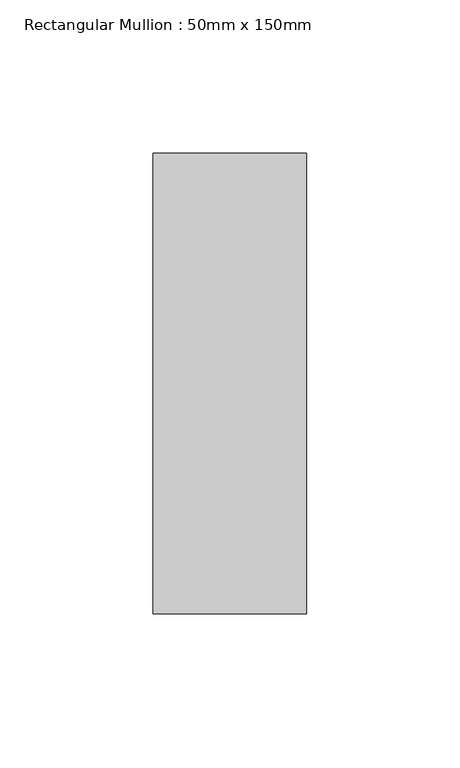
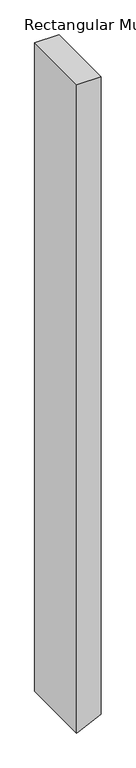
"""IFC4 building model written with IfcOpenShell, lengths in millimetres: member geometry, Rectangular Mullion : 50mm x 150mm."""

import ifcopenshell
import ifcopenshell.guid

model = None  # the IFC model being written
_history = None  # IfcOwnerHistory: only IFC2X3 demands one
_inside = {}  # id of a spatial element -> (the spatial element, [elements in it])
_under = {}  # id of a project, library or spatial element -> (it, [spatial elements below it])
_declared = {}  # id of a project -> (the project, [libraries it declares])
_typed = {}  # id of a type object -> (the type object, [elements of that type])
_made_of = {}  # id of a material, layer set ... -> (it, [elements and type objects made of it])


def new_model(schema):
    """Start an empty IFC model of exactly this schema.

    Asked for "IFC4X3", IfcOpenShell would pick the latest addendum, in which some entities
    have other attributes; the version numbers below select the first issue.
    IFC2X3 requires an IfcOwnerHistory on every rooted entity: one is made here for all.
    """
    global model, _history
    if schema == "IFC4X3":
        model = ifcopenshell.file(schema_version=(4, 3, 0, 0))
    else:
        model = ifcopenshell.file(schema=schema)
    _inside.clear()
    _under.clear()
    _declared.clear()
    _typed.clear()
    _made_of.clear()
    _history = None
    if model.schema == "IFC2X3":
        org = make("IfcOrganization", Name="unknown")
        user = make(
            "IfcPersonAndOrganization",
            ThePerson=make("IfcPerson", FamilyName="unknown"),
            TheOrganization=org,
        )
        app = make(
            "IfcApplication",
            ApplicationDeveloper=org,
            Version="unknown",
            ApplicationFullName="unknown",
            ApplicationIdentifier="unknown",
        )
        _history = make(
            "IfcOwnerHistory",
            OwningUser=user,
            OwningApplication=app,
            ChangeAction="ADDED",
            CreationDate=0,
        )
    return model


def make(cls, **values):
    """One entity of the class cls with the attributes given. An attribute that is None is left unset."""
    return model.create_entity(
        cls, **{name: value for name, value in values.items() if value is not None}
    )


def rooted(cls, **values):
    """An entity with a GlobalId (a new one), such as an element, a storey or a relation."""
    return make(cls, GlobalId=ifcopenshell.guid.new(), OwnerHistory=_history, **values)


def si_unit(unit_type, name, prefix=None):
    """IfcSIUnit, for example si_unit("LENGTHUNIT", "METRE", prefix="MILLI")."""
    return make("IfcSIUnit", UnitType=unit_type, Prefix=prefix, Name=name)


def assignment(units):
    """IfcUnitAssignment: the units of a project."""
    return None if units is None else make("IfcUnitAssignment", Units=units)


def point(xyz):
    """IfcCartesianPoint."""
    return None if xyz is None else make("IfcCartesianPoint", Coordinates=xyz)


def direction(xyz):
    """IfcDirection."""
    return None if xyz is None else make("IfcDirection", DirectionRatios=xyz)


def frame(location, z_axis=None, x_axis=None):
    """IfcAxis2Placement3D, a coordinate frame: its origin and axes. An axis left out is left unset."""
    return make(
        "IfcAxis2Placement3D",
        Location=point(location),
        Axis=direction(z_axis),
        RefDirection=direction(x_axis),
    )


def origin():
    """The frame at (0, 0, 0) with its axes left unset."""
    return frame((0.0, 0.0, 0.0))


def place(relative_to, where):
    """IfcLocalPlacement: puts the frame where relative to a parent placement (None: the world)."""
    return make(
        "IfcLocalPlacement", PlacementRelTo=relative_to, RelativePlacement=where
    )


def context(
    kind, dimensions, precision=None, world=None, true_north=None, identifier=None
):
    """IfcGeometricRepresentationContext, for example the 3D "Model" context."""
    return make(
        "IfcGeometricRepresentationContext",
        ContextIdentifier=identifier,
        ContextType=kind,
        CoordinateSpaceDimension=dimensions,
        Precision=precision,
        WorldCoordinateSystem=world,
        TrueNorth=true_north,
    )


def project(units=None, contexts=None):
    """IfcProject with its units and contexts."""
    return rooted(
        "IfcProject",
        Name="project",
        RepresentationContexts=contexts,
        UnitsInContext=assignment(units),
    )


def spatial(cls, under=None, at=None, **own):
    """A site, building, storey or space (cls), placed at a placement, below another one or the project."""
    s = rooted(cls, ObjectPlacement=at, **own)
    if under is not None:
        _under.setdefault(under.id(), (under, []))[1].append(s)
    return s


def polyline(points):
    """IfcPolyline through the points."""
    return make("IfcPolyline", Points=[point(p) for p in points])


def outline(outer, holes=None, kind="AREA"):
    """IfcArbitraryClosedProfileDef: a profile drawn as a closed curve; with holes, ...WithVoids."""
    if holes is None:
        return make("IfcArbitraryClosedProfileDef", ProfileType=kind, OuterCurve=outer)
    return make(
        "IfcArbitraryProfileDefWithVoids",
        ProfileType=kind,
        OuterCurve=outer,
        InnerCurves=holes,
    )


def extrude(swept, where, along, depth):
    """IfcExtrudedAreaSolid: the profile swept, set in the frame where, extruded along a direction by depth."""
    return make(
        "IfcExtrudedAreaSolid",
        SweptArea=swept,
        Position=where,
        ExtrudedDirection=direction(along),
        Depth=depth,
    )


def shape(context_of_items, identifier, shape_type, items):
    """IfcShapeRepresentation: the items that make up one representation, for example the "Body"."""
    return make(
        "IfcShapeRepresentation",
        ContextOfItems=context_of_items,
        RepresentationIdentifier=identifier,
        RepresentationType=shape_type,
        Items=items,
    )


def source(mapping_origin, context_of_items, identifier, shape_type, items):
    """IfcRepresentationMap: a shape defined once, which mapped items show again and again."""
    return make(
        "IfcRepresentationMap",
        MappingOrigin=mapping_origin,
        MappedRepresentation=shape(context_of_items, identifier, shape_type, items),
    )


def transform(
    local_origin,
    x_axis=None,
    y_axis=None,
    z_axis=None,
    scale=None,
    scale2=None,
    scale3=None,
    uniform=True,
):
    """IfcCartesianTransformationOperator3D, or its non-uniform kind. x_axis, y_axis, z_axis: its Axis1, 2, 3."""
    if uniform:
        return make(
            "IfcCartesianTransformationOperator3D",
            Axis1=direction(x_axis),
            Axis2=direction(y_axis),
            LocalOrigin=point(local_origin),
            Scale=scale,
            Axis3=direction(z_axis),
        )
    return make(
        "IfcCartesianTransformationOperator3DnonUniform",
        Axis1=direction(x_axis),
        Axis2=direction(y_axis),
        LocalOrigin=point(local_origin),
        Scale=scale,
        Axis3=direction(z_axis),
        Scale2=scale2,
        Scale3=scale3,
    )


def mapped(mapping_source, mapping_target):
    """IfcMappedItem: shows the shape of a source again, moved by a transform."""
    return make(
        "IfcMappedItem", MappingSource=mapping_source, MappingTarget=mapping_target
    )


def made_of(thing, what):
    """Note that an element or type object is made of a material, layer set ...; save() writes the relation."""
    if what is not None:
        _made_of.setdefault(what.id(), (what, []))[1].append(thing)
    return thing


def element(
    cls,
    number,
    at=None,
    inside=None,
    cuts=None,
    type_object=None,
    material=None,
    context=None,
    identifier="Body",
    shape_type=None,
    held_by="IfcProductDefinitionShape",
    body=None,
    shapes=None,
    **own,
):
    """One element of the class cls, such as IfcWall. Its Tag is "e" and its number.

    at: its placement. inside: the storey or other place that contains it. cuts: it is an
    opening in that element (IfcRelVoidsElement). A single representation is given by context,
    identifier, shape_type and body (its items); several are given by shapes. held_by: the class
    of the entity that holds the representations. save() writes the other relations.
    """
    e = rooted(cls, Tag="e%d" % number, ObjectPlacement=at, **own)
    if body is not None:
        shapes = [shape(context, identifier, shape_type, body)]
    if shapes is not None:
        e.Representation = make(held_by, Representations=shapes)
    if inside is not None:
        _inside.setdefault(inside.id(), (inside, []))[1].append(e)
    if cuts is not None:
        rooted(
            "IfcRelVoidsElement", RelatingBuildingElement=cuts, RelatedOpeningElement=e
        )
    if type_object is not None:
        _typed.setdefault(type_object.id(), (type_object, []))[1].append(e)
    return made_of(e, material)


def aggregate(whole, parts):
    """IfcRelAggregates: a whole, such as a stair, and the parts it consists of."""
    return rooted("IfcRelAggregates", RelatingObject=whole, RelatedObjects=parts)


def save(model, path):
    """Write the relations noted so far, then the file.

    IfcRelAggregates (storeys below a building ...), IfcRelContainedInSpatialStructure (elements
    in a storey), IfcRelDefinesByType, IfcRelAssociatesMaterial and IfcRelDeclares: one each for
    every whole, place, type object, material and project.
    """
    for whole, parts in _under.values():
        aggregate(whole, parts)
    for where, things in _inside.values():
        rooted(
            "IfcRelContainedInSpatialStructure",
            RelatedElements=things,
            RelatingStructure=where,
        )
    for kind, things in _typed.values():
        rooted("IfcRelDefinesByType", RelatedObjects=things, RelatingType=kind)
    for what, things in _made_of.values():
        rooted("IfcRelAssociatesMaterial", RelatedObjects=things, RelatingMaterial=what)
    for by, libraries in _declared.values():
        rooted("IfcRelDeclares", RelatingContext=by, RelatedDefinitions=libraries)
    model.write(path)


def rectangular_mullion_50mm_x_150mm_859837df(model_context):
    return source(origin(), model_context, "Body", "SweptSolid", [
        extrude(outline(polyline([(0.0, 25.0), (0.0, -25.0), (-1412.2029559, -25.0), (-1410.3664593, -21.0411824), (-1389.0079417, 25.0), (0.0, 25.0)])), frame((0.0, -75.0, 0.0), z_axis=(0.0, 1.0, 0.0), x_axis=(0.0, 0.0, 1.0)), (0.0, 0.0, 1.0), 150.0),
    ])


if __name__ == "__main__":
    model = new_model("IFC4")
    model_context = context("Model", 3, world=origin())
    ifc_project = project(units=[si_unit("LENGTHUNIT", "METRE", prefix="MILLI")], contexts=[model_context])
    site = spatial("IfcSite", under=ifc_project)
    building = spatial("IfcBuilding", under=site)
    placement = place(None, origin())
    rectangular_mullion_50mm_x_150mm_shape = rectangular_mullion_50mm_x_150mm_859837df(model_context)
    element("IfcMember", 1, ObjectType="Rectangular Mullion : 50mm x 150mm", at=placement, inside=building, context=model_context, shape_type="MappedRepresentation", body=[
        mapped(rectangular_mullion_50mm_x_150mm_shape, transform((0.0, 0.0, 0.0), x_axis=(1.0, 0.0, 0.0), y_axis=(0.0, 1.0, 0.0), z_axis=(0.0, 0.0, 1.0))),
    ])
    save(model, "model.ifc")
